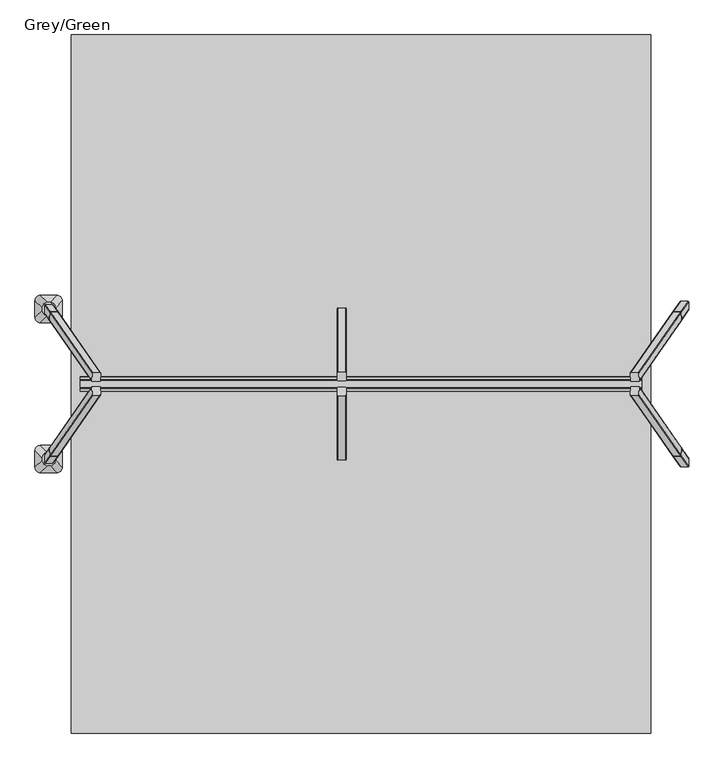
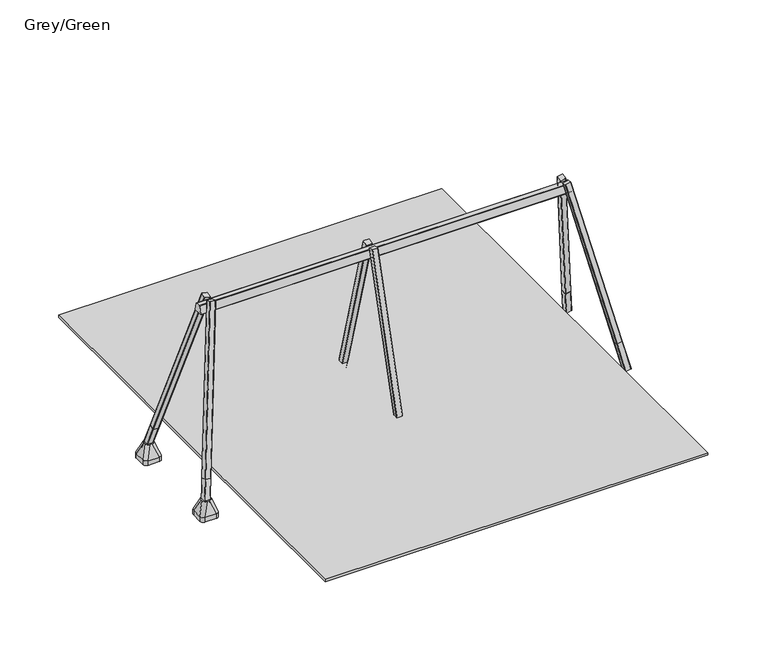
"""IFC4 building model written with IfcOpenShell, lengths in millimetres: furniture geometry, Grey/Green."""

from ifc_helpers import new_model, si_unit, point, frame, frame_2d, origin, place, context, project, spatial, polyline, circle_curve, trimmed, segment, composite_curve, outline, extrude, source, transform, mapped, element, save
from ifc_brep_helpers import plane_surface, cylinder_surface, extruded_surface, advanced_brep


def grey_green_704c3399(model_context):
    return source(origin(), model_context, "Body", "SolidModel", [
        advanced_brep(
        [(-1757.0, 672.5, -604.0), (-1937.0, 672.5, -604.0), (-1997.0, 732.5, -604.0), (-1997.0, 912.5, -604.0), (-1937.0, 972.5, -604.0), (-1757.0, 972.5, -604.0), (-1697.0, 912.5, -604.0), (-1697.0, 732.5, -604.0), (-1757.0, 672.5, -526.0689494), (-1937.0, 672.5, -526.0689494), (-1997.0, 732.5, -526.0689494), (-1997.0, 912.5, -526.0689494), (-1937.0, 972.5, -526.0689494), (-1757.0, 972.5, -526.0689494), (-1697.0, 912.5, -526.0689494), (-1697.0, 732.5, -526.0689494), (-1855.9540451, 751.0510597, -316.0689494), (-1830.9540451, 751.0510597, -316.0689494), (-1770.9540451, 811.0510597, -316.0689494), (-1770.9540451, 836.0510597, -316.0689494), (-1830.9540451, 896.0510597, -316.0689494), (-1855.9540451, 896.0510597, -316.0689494), (-1915.9540451, 836.0510597, -316.0689494), (-1915.9540451, 811.0510597, -316.0689494)],
        [
            (0, 1),
            (1, 2, circle_curve(frame((-1937.0, 732.5, -604.0), z_axis=(0.0, 0.0, -1.0), x_axis=(1.0, 0.0, 0.0)), 60.0)),
            (2, 3),
            (3, 4, circle_curve(frame((-1937.0, 912.5, -604.0), z_axis=(0.0, 0.0, -1.0), x_axis=(1.0, 0.0, 0.0)), 60.0)),
            (4, 5),
            (5, 6, circle_curve(frame((-1757.0, 912.5, -604.0), z_axis=(0.0, 0.0, -1.0), x_axis=(1.0, 0.0, 0.0)), 60.0)),
            (6, 7),
            (7, 0, circle_curve(frame((-1757.0, 732.5, -604.0), z_axis=(0.0, 0.0, -1.0), x_axis=(1.0, 0.0, 0.0)), 60.0)),
            (0, 8),
            (8, 9),
            (9, 1),
            (2, 10),
            (10, 11),
            (11, 3),
            (4, 12),
            (12, 13),
            (13, 5),
            (6, 14),
            (14, 15),
            (15, 7),
            (16, 17),
            (17, 18, circle_curve(frame((-1830.9540451, 811.0510597, -316.0689494), z_axis=(0.0, 0.0, 1.0), x_axis=(1.0, 0.0, 0.0)), 60.0)),
            (18, 19),
            (19, 20, circle_curve(frame((-1830.9540451, 836.0510597, -316.0689494), z_axis=(0.0, 0.0, 1.0), x_axis=(1.0, 0.0, 0.0)), 60.0)),
            (20, 21),
            (21, 22, circle_curve(frame((-1855.9540451, 836.0510597, -316.0689494), z_axis=(0.0, 0.0, 1.0), x_axis=(1.0, 0.0, 0.0)), 60.0)),
            (22, 23),
            (23, 16, circle_curve(frame((-1855.9540451, 811.0510597, -316.0689494), z_axis=(0.0, 0.0, 1.0), x_axis=(1.0, 0.0, 0.0)), 60.0)),
            (22, 11),
            (10, 23),
            (20, 13),
            (12, 21),
            (18, 15),
            (14, 19),
            (16, 9),
            (8, 17),
            (9, 10, circle_curve(frame((-1937.0, 732.5, -526.0689494), z_axis=(0.0, 0.0, -1.0), x_axis=(1.0, 0.0, 0.0)), 60.0)),
            (11, 12, circle_curve(frame((-1937.0, 912.5, -526.0689494), z_axis=(0.0, 0.0, -1.0), x_axis=(1.0, 0.0, 0.0)), 60.0)),
            (13, 14, circle_curve(frame((-1757.0, 912.5, -526.0689494), z_axis=(0.0, 0.0, -1.0), x_axis=(1.0, 0.0, 0.0)), 60.0)),
            (15, 8, circle_curve(frame((-1757.0, 732.5, -526.0689494), z_axis=(0.0, 0.0, -1.0), x_axis=(1.0, 0.0, 0.0)), 60.0)),
        ],
        [
            plane_surface(frame((-2023.6329682, 672.5, -604.0), z_axis=(0.0, 0.0, -1.0), x_axis=(1.0, 0.0, 0.0))),
            plane_surface(frame((-1757.0, 672.5, -526.0689494), z_axis=(0.0, -1.0, 0.0), x_axis=(0.0, 0.0, -1.0))),
            plane_surface(frame((-1997.0, 732.5, -526.0689494), z_axis=(-1.0, 0.0, 0.0), x_axis=(0.0, 0.0, -1.0))),
            plane_surface(frame((-1937.0, 972.5, -526.0689494), z_axis=(0.0, 1.0, 0.0), x_axis=(0.0, 0.0, -1.0))),
            plane_surface(frame((-1697.0, 912.5, -526.0689494), z_axis=(1.0, 0.0, 0.0), x_axis=(0.0, 0.0, -1.0))),
            plane_surface(frame((-1843.4540451, 823.5510597, -316.0689494), z_axis=(0.0, 0.0, 1.0), x_axis=(-1.0, 0.0, 0.0))),
            plane_surface(frame((-1997.0, 822.5, -526.0689494), z_axis=(-0.9329330935587706, 0.0, 0.36004977842357055), x_axis=(0.0, 1.0, 0.0))),
            plane_surface(frame((-1847.0, 972.5, -526.0689494), z_axis=(0.0, 0.9396707723277333, 0.34208016550656856), x_axis=(1.0, 0.0, 0.0))),
            plane_surface(frame((-1697.0, 822.5, -526.0689494), z_axis=(0.9432207285248213, 0.0, 0.33216661072586046), x_axis=(0.0, -1.0, 0.0))),
            plane_surface(frame((-1847.0, 672.5, -526.0689494), z_axis=(0.0, -0.9366205672401335, 0.35034541958297477), x_axis=(-1.0, 0.0, 0.0))),
            cylinder_surface(frame((-1937.0, 732.5, -604.0), z_axis=(0.0, 0.0, 1.0), x_axis=(1.0, 0.0, 0.0)), 60.0),
            cylinder_surface(frame((-1937.0, 912.5, -604.0), z_axis=(0.0, 0.0, 1.0), x_axis=(1.0, 0.0, 0.0)), 60.0),
            cylinder_surface(frame((-1757.0, 912.5, -604.0), z_axis=(0.0, 0.0, 1.0), x_axis=(1.0, 0.0, 0.0)), 60.0),
            cylinder_surface(frame((-1757.0, 732.5, -604.0), z_axis=(0.0, 0.0, 1.0), x_axis=(1.0, 0.0, 0.0)), 60.0),
            extruded_surface(trimmed(circle_curve(frame((-1855.9540451, 811.0510597, -316.0689494), z_axis=(0.0, 0.0, -1.0), x_axis=(1.0, 0.0, 0.0)), 60.0), [point((-1855.9540451, 751.0510597, -316.0689494))], [point((-1915.9540451, 811.0510597, -316.0689494))], True, "CARTESIAN"), (-81.04595489999997, -78.5510597, -209.99999999999994), 238.40871583406042),
            extruded_surface(trimmed(circle_curve(frame((-1830.9540451, 811.0510597, -316.0689494), z_axis=(0.0, 0.0, -1.0), x_axis=(1.0, 0.0, 0.0)), 60.0), [point((-1770.9540451, 811.0510597, -316.0689494))], [point((-1830.9540451, 751.0510597, -316.0689494))], True, "CARTESIAN"), (73.95404510000003, -78.5510597, -209.99999999999994), 236.0920790002193),
            extruded_surface(trimmed(circle_curve(frame((-1855.9540451, 836.0510597, -316.0689494), z_axis=(0.0, 0.0, -1.0), x_axis=(1.0, 0.0, 0.0)), 60.0), [point((-1915.9540451, 836.0510597, -316.0689494))], [point((-1855.9540451, 896.0510597, -316.0689494))], True, "CARTESIAN"), (-81.04595489999997, 76.4489403, -209.99999999999994), 237.72439352882105),
            extruded_surface(trimmed(circle_curve(frame((-1830.9540451, 836.0510597, -316.0689494), z_axis=(0.0, 0.0, -1.0), x_axis=(1.0, 0.0, 0.0)), 60.0), [point((-1830.9540451, 896.0510597, -316.0689494))], [point((-1770.9540451, 836.0510597, -316.0689494))], True, "CARTESIAN"), (73.95404510000003, 76.4489403, -209.99999999999994), 235.4010222145303),
        ],
        [
            (0, [[1, 2, 3, 4, 5, 6, 7, 8]]),
            (1, [[9, 10, 11, -1]]),
            (2, [[12, 13, 14, -3]]),
            (3, [[15, 16, 17, -5]]),
            (4, [[18, 19, 20, -7]]),
            (5, [[21, 22, 23, 24, 25, 26, 27, 28]]),
            (6, [[29, -13, 30, -27]]),
            (7, [[31, -16, 32, -25]]),
            (8, [[33, -19, 34, -23]]),
            (9, [[35, -10, 36, -21]]),
            (10, [[-11, 37, -12, -2]]),
            (11, [[-14, 38, -15, -4]]),
            (12, [[-17, 39, -18, -6]]),
            (13, [[-20, 40, -9, -8]]),
            (14, [[-30, -37, -35, -28]]),
            (15, [[-36, -40, -33, -22]]),
            (16, [[-32, -38, -29, -26]]),
            (17, [[-34, -39, -31, -24]]),
        ],
    ),
        advanced_brep(
        [(-1757.0, -672.5, -604.0), (-1697.0, -732.5, -604.0), (-1697.0, -912.5, -604.0), (-1757.0, -972.5, -604.0), (-1937.0, -972.5, -604.0), (-1997.0, -912.5, -604.0), (-1997.0, -732.5, -604.0), (-1937.0, -672.5, -604.0), (-1937.0, -672.5, -526.0689494), (-1757.0, -672.5, -526.0689494), (-1997.0, -912.5, -526.0689494), (-1997.0, -732.5, -526.0689494), (-1757.0, -972.5, -526.0689494), (-1937.0, -972.5, -526.0689494), (-1697.0, -732.5, -526.0689494), (-1697.0, -912.5, -526.0689494), (-1855.9540451, -751.0510597, -316.0689494), (-1915.9540451, -811.0510597, -316.0689494), (-1915.9540451, -836.0510597, -316.0689494), (-1855.9540451, -896.0510597, -316.0689494), (-1830.9540451, -896.0510597, -316.0689494), (-1770.9540451, -836.0510597, -316.0689494), (-1770.9540451, -811.0510597, -316.0689494), (-1830.9540451, -751.0510597, -316.0689494)],
        [
            (0, 1, circle_curve(frame((-1757.0, -732.5, -604.0), z_axis=(0.0, 0.0, -1.0), x_axis=(1.0, 0.0, 0.0)), 60.0)),
            (1, 2),
            (2, 3, circle_curve(frame((-1757.0, -912.5, -604.0), z_axis=(0.0, 0.0, -1.0), x_axis=(1.0, 0.0, 0.0)), 60.0)),
            (3, 4),
            (4, 5, circle_curve(frame((-1937.0, -912.5, -604.0), z_axis=(0.0, 0.0, -1.0), x_axis=(1.0, 0.0, 0.0)), 60.0)),
            (5, 6),
            (6, 7, circle_curve(frame((-1937.0, -732.5, -604.0), z_axis=(0.0, 0.0, -1.0), x_axis=(1.0, 0.0, 0.0)), 60.0)),
            (7, 0),
            (7, 8),
            (8, 9),
            (9, 0),
            (5, 10),
            (10, 11),
            (11, 6),
            (3, 12),
            (12, 13),
            (13, 4),
            (1, 14),
            (14, 15),
            (15, 2),
            (16, 17, circle_curve(frame((-1855.9540451, -811.0510597, -316.0689494), z_axis=(0.0, 0.0, 1.0), x_axis=(1.0, 0.0, 0.0)), 60.0)),
            (17, 18),
            (18, 19, circle_curve(frame((-1855.9540451, -836.0510597, -316.0689494), z_axis=(0.0, 0.0, 1.0), x_axis=(1.0, 0.0, 0.0)), 60.0)),
            (19, 20),
            (20, 21, circle_curve(frame((-1830.9540451, -836.0510597, -316.0689494), z_axis=(0.0, 0.0, 1.0), x_axis=(1.0, 0.0, 0.0)), 60.0)),
            (21, 22),
            (22, 23, circle_curve(frame((-1830.9540451, -811.0510597, -316.0689494), z_axis=(0.0, 0.0, 1.0), x_axis=(1.0, 0.0, 0.0)), 60.0)),
            (23, 16),
            (17, 11),
            (10, 18),
            (19, 13),
            (12, 20),
            (21, 15),
            (14, 22),
            (23, 9),
            (8, 16),
            (11, 8, circle_curve(frame((-1937.0, -732.5, -526.0689494), z_axis=(0.0, 0.0, -1.0), x_axis=(1.0, 0.0, 0.0)), 60.0)),
            (13, 10, circle_curve(frame((-1937.0, -912.5, -526.0689494), z_axis=(0.0, 0.0, -1.0), x_axis=(1.0, 0.0, 0.0)), 60.0)),
            (15, 12, circle_curve(frame((-1757.0, -912.5, -526.0689494), z_axis=(0.0, 0.0, -1.0), x_axis=(1.0, 0.0, 0.0)), 60.0)),
            (9, 14, circle_curve(frame((-1757.0, -732.5, -526.0689494), z_axis=(0.0, 0.0, -1.0), x_axis=(1.0, 0.0, 0.0)), 60.0)),
        ],
        [
            plane_surface(frame((-2023.6329682, -672.5, -604.0), z_axis=(0.0, 0.0, -1.0), x_axis=(1.0, 0.0, 0.0))),
            plane_surface(frame((-1757.0, -672.5, -526.0689494), z_axis=(0.0, 1.0, 0.0), x_axis=(0.0, 0.0, -1.0))),
            plane_surface(frame((-1997.0, -732.5, -526.0689494), z_axis=(-1.0, 0.0, 0.0), x_axis=(0.0, 0.0, -1.0))),
            plane_surface(frame((-1937.0, -972.5, -526.0689494), z_axis=(0.0, -1.0, 0.0), x_axis=(0.0, 0.0, -1.0))),
            plane_surface(frame((-1697.0, -912.5, -526.0689494), z_axis=(1.0, 0.0, 0.0), x_axis=(0.0, 0.0, -1.0))),
            plane_surface(frame((-1843.4540451, -823.5510597, -316.0689494), z_axis=(0.0, 0.0, 1.0), x_axis=(-1.0, 0.0, 0.0))),
            plane_surface(frame((-1997.0, -822.5, -526.0689494), z_axis=(-0.9329330935587706, 0.0, 0.36004977842357055), x_axis=(0.0, -1.0, 0.0))),
            plane_surface(frame((-1847.0, -972.5, -526.0689494), z_axis=(0.0, -0.9396707723277333, 0.34208016550656856), x_axis=(1.0, 0.0, 0.0))),
            plane_surface(frame((-1697.0, -822.5, -526.0689494), z_axis=(0.9432207285248213, 0.0, 0.33216661072586046), x_axis=(0.0, 1.0, 0.0))),
            plane_surface(frame((-1847.0, -672.5, -526.0689494), z_axis=(0.0, 0.9366205672401335, 0.35034541958297477), x_axis=(-1.0, 0.0, 0.0))),
            cylinder_surface(frame((-1937.0, -732.5, -604.0), z_axis=(0.0, 0.0, 1.0), x_axis=(1.0, 0.0, 0.0)), 60.0),
            cylinder_surface(frame((-1937.0, -912.5, -604.0), z_axis=(0.0, 0.0, 1.0), x_axis=(1.0, 0.0, 0.0)), 60.0),
            cylinder_surface(frame((-1757.0, -912.5, -604.0), z_axis=(0.0, 0.0, 1.0), x_axis=(1.0, 0.0, 0.0)), 60.0),
            cylinder_surface(frame((-1757.0, -732.5, -604.0), z_axis=(0.0, 0.0, 1.0), x_axis=(1.0, 0.0, 0.0)), 60.0),
            extruded_surface(trimmed(circle_curve(frame((-1937.0, -732.5, -526.0689494), z_axis=(0.0, 0.0, 1.0), x_axis=(1.0, 0.0, 0.0)), 60.0), [point((-1937.0, -672.5, -526.0689494))], [point((-1997.0, -732.5, -526.0689494))], True, "CARTESIAN"), (81.04595489999997, -78.5510597, 209.99999999999994), 238.40871583406042),
            extruded_surface(trimmed(circle_curve(frame((-1757.0, -732.5, -526.0689494), z_axis=(0.0, 0.0, 1.0), x_axis=(1.0, 0.0, 0.0)), 60.0), [point((-1697.0, -732.5, -526.0689494))], [point((-1757.0, -672.5, -526.0689494))], True, "CARTESIAN"), (-73.95404510000003, -78.5510597, 209.99999999999994), 236.0920790002193),
            extruded_surface(trimmed(circle_curve(frame((-1937.0, -912.5, -526.0689494), z_axis=(0.0, 0.0, 1.0), x_axis=(1.0, 0.0, 0.0)), 60.0), [point((-1997.0, -912.5, -526.0689494))], [point((-1937.0, -972.5, -526.0689494))], True, "CARTESIAN"), (81.04595489999997, 76.4489403, 209.99999999999994), 237.72439352882105),
            extruded_surface(trimmed(circle_curve(frame((-1757.0, -912.5, -526.0689494), z_axis=(0.0, 0.0, 1.0), x_axis=(1.0, 0.0, 0.0)), 60.0), [point((-1757.0, -972.5, -526.0689494))], [point((-1697.0, -912.5, -526.0689494))], True, "CARTESIAN"), (-73.95404510000003, 76.4489403, 209.99999999999994), 235.4010222145303),
        ],
        [
            (0, [[1, 2, 3, 4, 5, 6, 7, 8]]),
            (1, [[-8, 9, 10, 11]]),
            (2, [[-6, 12, 13, 14]]),
            (3, [[-4, 15, 16, 17]]),
            (4, [[-2, 18, 19, 20]]),
            (5, [[21, 22, 23, 24, 25, 26, 27, 28]]),
            (6, [[-22, 29, -13, 30]]),
            (7, [[-24, 31, -16, 32]]),
            (8, [[-26, 33, -19, 34]]),
            (9, [[-28, 35, -10, 36]]),
            (10, [[-7, -14, 37, -9]]),
            (11, [[-5, -17, 38, -12]]),
            (12, [[-3, -20, 39, -15]]),
            (13, [[-1, -11, 40, -18]]),
            (14, [[-21, -36, -37, -29]]),
            (15, [[-27, -34, -40, -35]]),
            (16, [[-23, -30, -38, -31]]),
            (17, [[-25, -32, -39, -33]]),
        ],
    ),
        extrude(outline(composite_curve([segment(polyline([(42.5, 0.0), (-42.5, 0.0)]), True, "CONTINUOUS"), segment(trimmed(circle_curve(frame_2d((-42.5, 5.0000001)), 5.0), [point((-42.5, 0.0))], [point((-47.5, 5.0000001))], False, "CARTESIAN"), True, "CONTINUOUS"), segment(polyline([(-47.5, 5.0000001), (-47.5, 90.0)]), True, "CONTINUOUS"), segment(trimmed(circle_curve(frame_2d((-42.5, 90.0)), 5.0), [point((-47.5, 90.0))], [point((-42.5, 95.0000001))], False, "CARTESIAN"), True, "CONTINUOUS"), segment(polyline([(-42.5, 95.0000001), (42.5, 95.0000001)]), True, "CONTINUOUS"), segment(trimmed(circle_curve(frame_2d((42.5, 90.0)), 5.0), [point((42.5, 95.0000001))], [point((47.5, 90.0))], False, "CARTESIAN"), True, "CONTINUOUS"), segment(polyline([(47.5, 90.0), (47.5, 5.0000001)]), True, "CONTINUOUS"), segment(trimmed(circle_curve(frame_2d((42.5, 5.0000001)), 5.0), [point((47.5, 5.0000001))], [point((42.5, 0.0))], False, "CARTESIAN"), True, "CONTINUOUS")], self_intersect=False)), frame((1365.0, 748.4218938, -42.6870291), z_axis=(0.0, -0.2695698078762129, 0.9629808506307806), x_axis=(1.0, 0.0, 0.0)), (0.0, 0.0, 1.0), 2640.0),
        extrude(outline(composite_curve([segment(trimmed(circle_curve(frame_2d((42.5, 42.5038196)), 5.0), [point((42.5, 47.5038197))], [point((47.5, 42.5038196))], False, "CARTESIAN"), True, "CONTINUOUS"), segment(polyline([(47.5, 42.5038196), (47.5, -42.4961803)]), True, "CONTINUOUS"), segment(trimmed(circle_curve(frame_2d((42.5, -42.4961803)), 5.0), [point((47.5, -42.4961803))], [point((42.5, -47.4961803))], False, "CARTESIAN"), True, "CONTINUOUS"), segment(polyline([(42.5, -47.4961803), (-42.5, -47.4961803)]), True, "CONTINUOUS"), segment(trimmed(circle_curve(frame_2d((-42.5, -42.4961803)), 5.0), [point((-42.5, -47.4961803))], [point((-47.5, -42.4961803))], False, "CARTESIAN"), True, "CONTINUOUS"), segment(polyline([(-47.5, -42.4961803), (-47.5, 42.5038196)]), True, "CONTINUOUS"), segment(trimmed(circle_curve(frame_2d((-42.5, 42.5038196)), 5.0), [point((-47.5, 42.5038196))], [point((-42.5, 47.5038197))], False, "CARTESIAN"), True, "CONTINUOUS"), segment(polyline([(-42.5, 47.5038197), (42.5, 47.5038197)]), True, "CONTINUOUS")], self_intersect=False)), frame((1365.0, 923.5426941, -492.117274), z_axis=(0.0, -0.2695698078762098, 0.9629808506307814), x_axis=(1.0, 0.0, 0.0)), (0.0, 0.0, 1.0), 480.0),
        extrude(outline(composite_curve([segment(polyline([(42.5, -47.5038197), (-42.5, -47.5038197)]), True, "CONTINUOUS"), segment(trimmed(circle_curve(frame_2d((-42.5, -42.5038196)), 5.0), [point((-42.5, -47.5038197))], [point((-47.5, -42.5038196))], False, "CARTESIAN"), True, "CONTINUOUS"), segment(polyline([(-47.5, -42.5038196), (-47.5, 42.4961804)]), True, "CONTINUOUS"), segment(trimmed(circle_curve(frame_2d((-42.5, 42.4961804)), 5.0), [point((-47.5, 42.4961804))], [point((-42.5, 47.4961803))], False, "CARTESIAN"), True, "CONTINUOUS"), segment(polyline([(-42.5, 47.4961803), (42.5, 47.4961803)]), True, "CONTINUOUS"), segment(trimmed(circle_curve(frame_2d((42.5, 42.4961804)), 5.0), [point((42.5, 47.4961803))], [point((47.5, 42.4961804))], False, "CARTESIAN"), True, "CONTINUOUS"), segment(polyline([(47.5, 42.4961804), (47.5, -42.5038196)]), True, "CONTINUOUS"), segment(trimmed(circle_curve(frame_2d((42.5, -42.5038196)), 5.0), [point((47.5, -42.5038196))], [point((42.5, -47.5038197))], False, "CARTESIAN"), True, "CONTINUOUS")], self_intersect=False)), frame((1365.0, -923.871199, -493.290788), z_axis=(0.0, 0.2695698078762098, 0.9629808506307814), x_axis=(1.0, 0.0, 0.0)), (0.0, 0.0, 1.0), 471.2186266),
        extrude(outline(composite_curve([segment(trimmed(circle_curve(frame_2d((42.5, -5.0000001)), 5.0), [point((42.5, 0.0))], [point((47.5, -5.0000001))], False, "CARTESIAN"), True, "CONTINUOUS"), segment(polyline([(47.5, -5.0000001), (47.5, -90.0)]), True, "CONTINUOUS"), segment(trimmed(circle_curve(frame_2d((42.5, -90.0)), 5.0), [point((47.5, -90.0))], [point((42.5, -95.0))], False, "CARTESIAN"), True, "CONTINUOUS"), segment(polyline([(42.5, -95.0), (-42.5, -95.0)]), True, "CONTINUOUS"), segment(trimmed(circle_curve(frame_2d((-42.5, -90.0)), 5.0), [point((-42.5, -95.0))], [point((-47.5, -90.0))], False, "CARTESIAN"), True, "CONTINUOUS"), segment(polyline([(-47.5, -90.0), (-47.5, -5.0000001)]), True, "CONTINUOUS"), segment(trimmed(circle_curve(frame_2d((-42.5, -5.0000001)), 5.0), [point((-47.5, -5.0000001))], [point((-42.5, 0.0))], False, "CARTESIAN"), True, "CONTINUOUS"), segment(polyline([(-42.5, 0.0), (42.5, 0.0)]), True, "CONTINUOUS")], self_intersect=False)), frame((1365.0, -751.1175919, -52.3168376), z_axis=(0.0, 0.2695698078762129, 0.9629808506307806), x_axis=(1.0, 0.0, 0.0)), (0.0, 0.0, 1.0), 2650.0),
        extrude(outline(composite_curve([segment(polyline([(-37.5764831, -90.0), (-37.5764831, -5.0000001)]), True, "CONTINUOUS"), segment(trimmed(circle_curve(frame_2d((-32.576483, -5.0000001)), 5.0), [point((-37.5764831, -5.0000001))], [point((-32.576483, 0.0))], False, "CARTESIAN"), True, "CONTINUOUS"), segment(polyline([(-32.576483, 0.0), (52.4235169, 0.0)]), True, "CONTINUOUS"), segment(trimmed(circle_curve(frame_2d((52.4235169, -5.0000001)), 5.0), [point((52.4235169, 0.0))], [point((57.4235169, -5.0000001))], False, "CARTESIAN"), True, "CONTINUOUS"), segment(polyline([(57.4235169, -5.0000001), (57.423517, -90.0)]), True, "CONTINUOUS"), segment(trimmed(circle_curve(frame_2d((52.4235169, -90.0)), 5.0), [point((57.423517, -90.0))], [point((52.4235169, -95.0))], False, "CARTESIAN"), True, "CONTINUOUS"), segment(polyline([(52.4235169, -95.0), (-32.576483, -95.0)]), True, "CONTINUOUS"), segment(trimmed(circle_curve(frame_2d((-32.576483, -90.0)), 5.0), [point((-32.576483, -95.0))], [point((-37.5764831, -90.0))], False, "CARTESIAN"), True, "CONTINUOUS")], self_intersect=False)), frame((5113.6173624, -813.9492195, -473.8148921), z_axis=(-0.17396165925896223, 0.24987304883695344, 0.9525233858403658), x_axis=(0.9837286289495357, 0.0, 0.17966074859319375)), (0.0, 0.0, 1.0), 460.0),
        extrude(outline(composite_curve([segment(polyline([(549.3354975, 15.6129077), (549.3354976, -69.3870923)]), True, "CONTINUOUS"), segment(trimmed(circle_curve(frame_2d((544.3354976, -69.3870923)), 5.0), [point((549.3354976, -69.3870923))], [point((544.3354976, -74.3870923))], False, "CARTESIAN"), True, "CONTINUOUS"), segment(polyline([(544.3354976, -74.3870923), (459.3354976, -74.3870923)]), True, "CONTINUOUS"), segment(trimmed(circle_curve(frame_2d((459.3354976, -69.3870923)), 5.0), [point((459.3354976, -74.3870923))], [point((454.3354976, -69.3870923))], False, "CARTESIAN"), True, "CONTINUOUS"), segment(polyline([(454.3354976, -69.3870923), (454.3354976, 15.6129077)]), True, "CONTINUOUS"), segment(trimmed(circle_curve(frame_2d((459.3354976, 15.6129077)), 5.0), [point((454.3354976, 15.6129077))], [point((459.3354976, 20.6129076))], False, "CARTESIAN"), True, "CONTINUOUS"), segment(polyline([(459.3354976, 20.6129076), (544.3354976, 20.6129077)]), True, "CONTINUOUS"), segment(trimmed(circle_curve(frame_2d((544.3354976, 15.6129077)), 5.0), [point((544.3354976, 20.6129077))], [point((549.3354975, 15.6129077))], False, "CARTESIAN"), True, "CONTINUOUS")], self_intersect=False)), frame((4548.7617384, -718.9666546, -118.9646067), z_axis=(-0.1739616592589606, 0.24987304883695416, 0.9525233858403659), x_axis=(0.9837286289495357, 0.0, 0.1796607485931937)), (0.0, 0.0, 1.0), 2680.0),
        extrude(outline(composite_curve([segment(trimmed(circle_curve(frame_2d((-32.576483, 90.0)), 5.0), [point((-37.5764831, 90.0))], [point((-32.576483, 95.0))], False, "CARTESIAN"), True, "CONTINUOUS"), segment(polyline([(-32.576483, 95.0), (52.4235169, 95.0)]), True, "CONTINUOUS"), segment(trimmed(circle_curve(frame_2d((52.4235169, 90.0)), 5.0), [point((52.4235169, 95.0))], [point((57.423517, 90.0))], False, "CARTESIAN"), True, "CONTINUOUS"), segment(polyline([(57.423517, 90.0), (57.4235169, 5.0000001)]), True, "CONTINUOUS"), segment(trimmed(circle_curve(frame_2d((52.4235169, 5.0000001)), 5.0), [point((57.4235169, 5.0000001))], [point((52.4235169, 0.0))], False, "CARTESIAN"), True, "CONTINUOUS"), segment(polyline([(52.4235169, 0.0), (-32.576483, 0.0)]), True, "CONTINUOUS"), segment(trimmed(circle_curve(frame_2d((-32.576483, 5.0000001)), 5.0), [point((-32.576483, 0.0))], [point((-37.5764831, 5.0000001))], False, "CARTESIAN"), True, "CONTINUOUS"), segment(polyline([(-37.5764831, 5.0000001), (-37.5764831, 90.0)]), True, "CONTINUOUS")], self_intersect=False)), frame((5113.6173624, 813.9492195, -473.8148921), z_axis=(-0.17396165925896223, -0.24987304883695344, 0.9525233858403658), x_axis=(0.9837286289495357, 0.0, 0.17966074859319375)), (0.0, 0.0, 1.0), 460.0),
        extrude(outline(composite_curve([segment(trimmed(circle_curve(frame_2d((544.3354976, -15.6129077)), 5.0), [point((549.3354975, -15.6129077))], [point((544.3354976, -20.6129077))], False, "CARTESIAN"), True, "CONTINUOUS"), segment(polyline([(544.3354976, -20.6129077), (459.3354976, -20.6129076)]), True, "CONTINUOUS"), segment(trimmed(circle_curve(frame_2d((459.3354976, -15.6129077)), 5.0), [point((459.3354976, -20.6129076))], [point((454.3354976, -15.6129077))], False, "CARTESIAN"), True, "CONTINUOUS"), segment(polyline([(454.3354976, -15.6129077), (454.3354976, 69.3870923)]), True, "CONTINUOUS"), segment(trimmed(circle_curve(frame_2d((459.3354976, 69.3870923)), 5.0), [point((454.3354976, 69.3870923))], [point((459.3354976, 74.3870923))], False, "CARTESIAN"), True, "CONTINUOUS"), segment(polyline([(459.3354976, 74.3870923), (544.3354976, 74.3870923)]), True, "CONTINUOUS"), segment(trimmed(circle_curve(frame_2d((544.3354976, 69.3870923)), 5.0), [point((544.3354976, 74.3870923))], [point((549.3354976, 69.3870923))], False, "CARTESIAN"), True, "CONTINUOUS"), segment(polyline([(549.3354976, 69.3870923), (549.3354975, -15.6129077)]), True, "CONTINUOUS")], self_intersect=False)), frame((4548.7617384, 718.9666546, -118.9646067), z_axis=(-0.1739616592589606, -0.24987304883695416, 0.9525233858403659), x_axis=(0.9837286289495357, 0.0, 0.1796607485931937)), (0.0, 0.0, 1.0), 2680.0),
        extrude(outline(composite_curve([segment(polyline([(-37.5764831, -90.0), (-37.5764831, -5.0000001)]), True, "CONTINUOUS"), segment(trimmed(circle_curve(frame_2d((-32.576483, -5.0000001)), 5.0), [point((-37.5764831, -5.0000001))], [point((-32.576483, 0.0))], False, "CARTESIAN"), True, "CONTINUOUS"), segment(polyline([(-32.576483, 0.0), (52.4235169, 0.0)]), True, "CONTINUOUS"), segment(trimmed(circle_curve(frame_2d((52.4235169, -5.0000001)), 5.0), [point((52.4235169, 0.0))], [point((57.4235169, -5.0000001))], False, "CARTESIAN"), True, "CONTINUOUS"), segment(polyline([(57.4235169, -5.0000001), (57.423517, -90.0)]), True, "CONTINUOUS"), segment(trimmed(circle_curve(frame_2d((52.4235169, -90.0)), 5.0), [point((57.423517, -90.0))], [point((52.4235169, -95.0))], False, "CARTESIAN"), True, "CONTINUOUS"), segment(polyline([(52.4235169, -95.0), (-32.576483, -95.0)]), True, "CONTINUOUS"), segment(trimmed(circle_curve(frame_2d((-32.576483, -90.0)), 5.0), [point((-32.576483, -95.0))], [point((-37.5764831, -90.0))], False, "CARTESIAN"), True, "CONTINUOUS")], self_intersect=False)), frame((-1863.6173624, 813.9492195, -473.8148921), z_axis=(0.17396165925896223, -0.24987304883695344, 0.9525233858403658), x_axis=(-0.9837286289495357, 0.0, 0.17966074859319375)), (0.0, 0.0, 1.0), 460.0),
        extrude(outline(composite_curve([segment(polyline([(549.3354975, 15.6129077), (549.3354976, -69.3870923)]), True, "CONTINUOUS"), segment(trimmed(circle_curve(frame_2d((544.3354976, -69.3870923)), 5.0), [point((549.3354976, -69.3870923))], [point((544.3354976, -74.3870923))], False, "CARTESIAN"), True, "CONTINUOUS"), segment(polyline([(544.3354976, -74.3870923), (459.3354976, -74.3870923)]), True, "CONTINUOUS"), segment(trimmed(circle_curve(frame_2d((459.3354976, -69.3870923)), 5.0), [point((459.3354976, -74.3870923))], [point((454.3354976, -69.3870923))], False, "CARTESIAN"), True, "CONTINUOUS"), segment(polyline([(454.3354976, -69.3870923), (454.3354976, 15.6129077)]), True, "CONTINUOUS"), segment(trimmed(circle_curve(frame_2d((459.3354976, 15.6129077)), 5.0), [point((454.3354976, 15.6129077))], [point((459.3354976, 20.6129076))], False, "CARTESIAN"), True, "CONTINUOUS"), segment(polyline([(459.3354976, 20.6129076), (544.3354976, 20.6129077)]), True, "CONTINUOUS"), segment(trimmed(circle_curve(frame_2d((544.3354976, 15.6129077)), 5.0), [point((544.3354976, 20.6129077))], [point((549.3354975, 15.6129077))], False, "CARTESIAN"), True, "CONTINUOUS")], self_intersect=False)), frame((-1298.7617384, 718.9666546, -118.9646067), z_axis=(0.1739616592589606, -0.24987304883695416, 0.9525233858403659), x_axis=(-0.9837286289495357, 0.0, 0.1796607485931937)), (0.0, 0.0, 1.0), 2680.0),
        extrude(outline(composite_curve([segment(trimmed(circle_curve(frame_2d((-32.576483, 90.0)), 5.0), [point((-37.5764831, 90.0))], [point((-32.576483, 95.0))], False, "CARTESIAN"), True, "CONTINUOUS"), segment(polyline([(-32.576483, 95.0), (52.4235169, 95.0)]), True, "CONTINUOUS"), segment(trimmed(circle_curve(frame_2d((52.4235169, 90.0)), 5.0), [point((52.4235169, 95.0))], [point((57.423517, 90.0))], False, "CARTESIAN"), True, "CONTINUOUS"), segment(polyline([(57.423517, 90.0), (57.4235169, 5.0000001)]), True, "CONTINUOUS"), segment(trimmed(circle_curve(frame_2d((52.4235169, 5.0000001)), 5.0), [point((57.4235169, 5.0000001))], [point((52.4235169, 0.0))], False, "CARTESIAN"), True, "CONTINUOUS"), segment(polyline([(52.4235169, 0.0), (-32.576483, 0.0)]), True, "CONTINUOUS"), segment(trimmed(circle_curve(frame_2d((-32.576483, 5.0000001)), 5.0), [point((-32.576483, 0.0))], [point((-37.5764831, 5.0000001))], False, "CARTESIAN"), True, "CONTINUOUS"), segment(polyline([(-37.5764831, 5.0000001), (-37.5764831, 90.0)]), True, "CONTINUOUS")], self_intersect=False)), frame((-1863.6173624, -813.9492195, -473.8148921), z_axis=(0.17396165925896223, 0.24987304883695344, 0.9525233858403658), x_axis=(-0.9837286289495357, 0.0, 0.17966074859319375)), (0.0, 0.0, 1.0), 460.0),
        extrude(outline(composite_curve([segment(polyline([(74.8769137, 2342.0946383), (-74.4427012, 2342.0946383)]), True, "CONTINUOUS"), segment(trimmed(circle_curve(frame_2d((-74.4427012, 2347.0946383)), 5.0), [point((-74.4427012, 2342.0946383))], [point((-79.2576055, 2348.4424873))], False, "CARTESIAN"), True, "CONTINUOUS"), segment(polyline([(-79.2576055, 2348.4424873), (-44.8258861, 2471.4424873)]), True, "CONTINUOUS"), segment(trimmed(circle_curve(frame_2d((-40.0109819, 2470.0946383)), 5.0), [point((-44.8258861, 2471.4424873))], [point((-40.0109819, 2475.0946383))], False, "CARTESIAN"), True, "CONTINUOUS"), segment(polyline([(-40.0109819, 2475.0946383), (39.7073166, 2475.0946383)]), True, "CONTINUOUS"), segment(trimmed(circle_curve(frame_2d((39.7073166, 2470.0946383)), 5.0), [point((39.7073166, 2475.0946383))], [point((44.5146602, 2471.4692101))], False, "CARTESIAN"), True, "CONTINUOUS"), segment(polyline([(44.5146602, 2471.4692101), (79.6842573, 2348.4692101)]), True, "CONTINUOUS"), segment(trimmed(circle_curve(frame_2d((74.8769137, 2347.0946383)), 5.0), [point((79.6842573, 2348.4692101))], [point((74.8769137, 2342.0946383))], False, "CARTESIAN"), True, "CONTINUOUS")], self_intersect=False)), frame((-1500.0, 0.0, 0.0), z_axis=(1.0, 0.0, 0.0), x_axis=(0.0, 1.0, 0.0)), (0.0, 0.0, 1.0), 6150.0),
        extrude(outline(composite_curve([segment(trimmed(circle_curve(frame_2d((544.3354976, -15.6129077)), 5.0), [point((549.3354975, -15.6129077))], [point((544.3354976, -20.6129077))], False, "CARTESIAN"), True, "CONTINUOUS"), segment(polyline([(544.3354976, -20.6129077), (459.3354976, -20.6129076)]), True, "CONTINUOUS"), segment(trimmed(circle_curve(frame_2d((459.3354976, -15.6129077)), 5.0), [point((459.3354976, -20.6129076))], [point((454.3354976, -15.6129077))], False, "CARTESIAN"), True, "CONTINUOUS"), segment(polyline([(454.3354976, -15.6129077), (454.3354976, 69.3870923)]), True, "CONTINUOUS"), segment(trimmed(circle_curve(frame_2d((459.3354976, 69.3870923)), 5.0), [point((454.3354976, 69.3870923))], [point((459.3354976, 74.3870923))], False, "CARTESIAN"), True, "CONTINUOUS"), segment(polyline([(459.3354976, 74.3870923), (544.3354976, 74.3870923)]), True, "CONTINUOUS"), segment(trimmed(circle_curve(frame_2d((544.3354976, 69.3870923)), 5.0), [point((544.3354976, 74.3870923))], [point((549.3354976, 69.3870923))], False, "CARTESIAN"), True, "CONTINUOUS"), segment(polyline([(549.3354976, 69.3870923), (549.3354975, -15.6129077)]), True, "CONTINUOUS")], self_intersect=False)), frame((-1298.7617384, -718.9666546, -118.9646067), z_axis=(0.1739616592589606, 0.24987304883695416, 0.9525233858403659), x_axis=(-0.9837286289495357, 0.0, 0.1796607485931937)), (0.0, 0.0, 1.0), 2680.0),
        extrude(outline(polyline([(4750.0, 3825.0), (4750.0, -3825.0), (-1600.0, -3825.0), (-1600.0, 3825.0), (4750.0, 3825.0)])), frame((0.0, 0.0, -40.0), z_axis=(0.0, 0.0, 1.0), x_axis=(1.0, 0.0, 0.0)), (0.0, 0.0, 1.0), 40.1),
    ])


if __name__ == "__main__":
    model = new_model("IFC4")
    model_context = context("Model", 3, world=origin())
    ifc_project = project(units=[si_unit("LENGTHUNIT", "METRE", prefix="MILLI")], contexts=[model_context])
    site = spatial("IfcSite", under=ifc_project)
    building = spatial("IfcBuilding", under=site)
    placement = place(None, origin())
    grey_green_shape = grey_green_704c3399(model_context)
    element("IfcFurniture", 1, ObjectType="Grey/Green", at=placement, inside=building, context=model_context, shape_type="MappedRepresentation", body=[
        mapped(grey_green_shape, transform((0.0, 0.0, 0.0), x_axis=(1.0, 0.0, 0.0), y_axis=(0.0, 1.0, 0.0), z_axis=(0.0, 0.0, 1.0))),
    ])
    save(model, "model.ifc")
